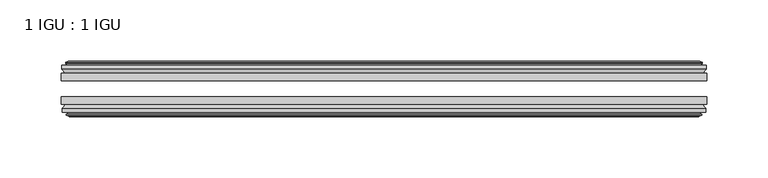
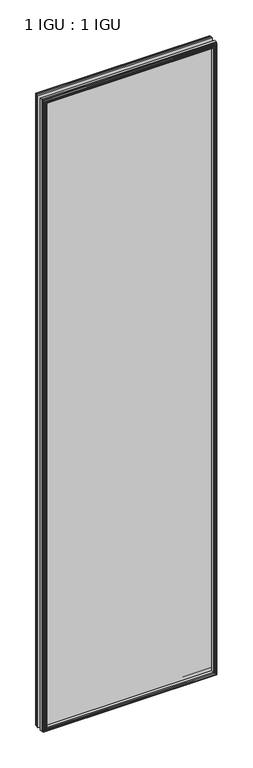
"""IFC4 building model written with IfcOpenShell, lengths in millimetres: plate geometry, 1 IGU : 1 IGU."""

from ifc_helpers import new_model, si_unit, frame, origin, place, context, project, spatial, polyline, outline, extrude, faceted_brep, source, transform, mapped, element, save


def plate_1_igu_1_igu_baa2e84b(model_context):
    return source(origin(), model_context, "Body", "SolidModel", [
        extrude(outline(polyline([(263.5317467, -19.5460937), (263.5317467, -25.8960938), (-263.5317467, -25.8960938), (-263.5317467, -19.5460937), (263.5317467, -19.5460937)])), frame((0.0, 0.0, -12.7), z_axis=(0.0, 0.0, 1.0), x_axis=(1.0, 0.0, 0.0)), (0.0, 0.0, 1.0), 2019.289595),
        extrude(outline(polyline([(-263.5317467, -44.9460938), (-263.5317467, -38.9186737), (263.5317467, -38.9186737), (263.5317467, -44.9460938), (-263.5317467, -44.9460938)])), frame((0.0, 0.0, -12.7), z_axis=(0.0, 0.0, 1.0), x_axis=(1.0, 0.0, 0.0)), (0.0, 0.0, 1.0), 2019.289595),
        faceted_brep([(-257.9437467, -53.6762907, 2001.001595), (-258.3247467, -51.2960937, 2001.382595), (-258.3247467, -51.2960937, -7.493), (-257.9437467, -53.6762907, -7.112), (-259.3592758, -53.2163575, 2002.4171241), (-259.3592758, -53.2163575, -8.5275291), (-259.3592758, -54.0175717, 2002.4171241), (-259.3592758, -54.0175717, -8.5275291), (-257.1817467, -54.7250937, 2000.239595), (-257.1817467, -54.7250937, -6.35), (-255.0042177, -54.0175717, 1998.062066), (-255.0042177, -54.0175717, -4.1724709), (-255.0042177, -53.2163575, 1998.062066), (-255.0042177, -53.2163575, -4.1724709), (-256.4197467, -53.6762907, 1999.477595), (-256.4197467, -53.6762907, -5.588), (-256.0387467, -51.2960937, 1999.096595), (-256.0387467, -51.2960937, -5.207), (-249.1140286, -44.9460937, 1992.171877), (-250.8317467, -51.2960937, 1993.889595), (-250.8317467, -51.2960937, 0.0), (-249.1140286, -44.9460937, 1.7177181), (-262.7697467, -48.3496937, 2005.827595), (-259.9354046, -44.9460937, 2002.9932529), (-259.9354046, -44.9460937, -9.1036578), (-262.7697467, -48.3496937, -11.938), (-262.7697467, -51.2960937, 2005.827595), (-262.7697467, -51.2960937, -11.938), (258.3247467, -51.2960938, -7.493), (257.9437467, -53.6762907, -7.112), (259.3592758, -53.2163575, -8.5275291), (259.3592758, -54.0175717, -8.5275291), (257.1817467, -54.7250937, -6.35), (255.0042177, -54.0175717, -4.1724709), (255.0042177, -53.2163575, -4.1724709), (256.4197467, -53.6762907, -5.588), (256.0387467, -51.2960937, -5.207), (250.8317467, -51.2960937, 0.0), (249.1140286, -44.9460937, 1.7177181), (259.9354046, -44.9460937, -9.1036578), (262.7697467, -48.3496937, -11.938), (262.7697467, -51.2960938, -11.938), (258.3247467, -51.2960938, 2001.382595), (257.9437467, -53.6762907, 2001.001595), (259.3592758, -53.2163575, 2002.4171241), (259.3592758, -54.0175717, 2002.4171241), (257.1817467, -54.7250937, 2000.239595), (255.0042177, -54.0175717, 1998.062066), (255.0042177, -53.2163575, 1998.062066), (256.4197467, -53.6762907, 1999.477595), (256.0387467, -51.2960937, 1999.096595), (250.8317467, -51.2960937, 1993.889595), (249.1140286, -44.9460937, 1992.171877), (259.9354046, -44.9460937, 2002.9932529), (262.7697467, -48.3496937, 2005.827595), (262.7697467, -51.2960938, 2005.827595)], [[[0, 1, 2, 3]], [[4, 0, 3, 5]], [[6, 4, 5, 7]], [[8, 6, 7, 9]], [[10, 8, 9, 11]], [[12, 10, 11, 13]], [[14, 12, 13, 15]], [[16, 14, 15, 17]], [[18, 19, 20, 21]], [[22, 23, 24, 25]], [[26, 22, 25, 27]], [[3, 2, 28, 29]], [[5, 3, 29, 30]], [[7, 5, 30, 31]], [[9, 7, 31, 32]], [[11, 9, 32, 33]], [[13, 11, 33, 34]], [[15, 13, 34, 35]], [[17, 15, 35, 36]], [[21, 20, 37, 38]], [[25, 24, 39, 40]], [[27, 25, 40, 41]], [[29, 28, 42, 43]], [[30, 29, 43, 44]], [[31, 30, 44, 45]], [[32, 31, 45, 46]], [[33, 32, 46, 47]], [[34, 33, 47, 48]], [[35, 34, 48, 49]], [[36, 35, 49, 50]], [[38, 37, 51, 52]], [[40, 39, 53, 54]], [[41, 40, 54, 55]], [[27, 41, 55, 26], [1, 42, 28, 2]], [[43, 42, 1, 0]], [[44, 43, 0, 4]], [[45, 44, 4, 6]], [[46, 45, 6, 8]], [[47, 46, 8, 10]], [[48, 47, 10, 12]], [[49, 48, 12, 14]], [[50, 49, 14, 16]], [[17, 36, 50, 16], [19, 51, 37, 20]], [[52, 51, 19, 18]], [[23, 53, 39, 24], [21, 38, 52, 18]], [[54, 53, 23, 22]], [[55, 54, 22, 26]]]),
        faceted_brep([(-260.4561046, -19.5460937, 2003.5139529), (-263.2904467, -16.1424937, 2006.348295), (-263.2904467, -16.1424937, -12.4587), (-260.4561046, -19.5460937, -9.6243578), (-251.3524467, -13.1960937, 1994.410295), (-249.6347286, -19.5460937, 1992.692577), (-249.6347286, -19.5460937, 1.1970181), (-251.3524467, -13.1960937, -0.5207), (-256.9404467, -10.8158968, 1999.998295), (-256.5594467, -13.1960937, 1999.617295), (-256.5594467, -13.1960937, -5.7277), (-256.9404467, -10.8158968, -6.1087), (-255.5249177, -11.27583, 1998.582766), (-255.5249177, -11.27583, -4.6931709), (-255.5249177, -10.4746158, 1998.582766), (-255.5249177, -10.4746158, -4.6931709), (-257.7024467, -9.7670937, 2000.760295), (-257.7024467, -9.7670937, -6.8707), (-259.8799758, -10.4746158, 2002.9378241), (-259.8799758, -10.4746158, -9.0482291), (-259.8799758, -11.27583, 2002.9378241), (-259.8799758, -11.27583, -9.0482291), (-258.4644467, -10.8158968, 2001.522295), (-258.4644467, -10.8158968, -7.6327), (-258.8454467, -13.1960937, 2001.903295), (-258.8454467, -13.1960937, -8.0137), (-263.2904467, -13.1960937, 2006.348295), (-263.2904467, -13.1960937, -12.4587), (263.2904467, -16.1424937, -12.4587), (260.4561046, -19.5460937, -9.6243578), (249.6347286, -19.5460937, 1.1970181), (251.3524467, -13.1960937, -0.5207), (256.5594467, -13.1960937, -5.7277), (256.9404467, -10.8158968, -6.1087), (255.5249177, -11.27583, -4.6931709), (255.5249177, -10.4746158, -4.6931709), (257.7024467, -9.7670937, -6.8707), (259.8799758, -10.4746158, -9.0482291), (259.8799758, -11.27583, -9.0482291), (258.4644467, -10.8158968, -7.6327), (258.8454467, -13.1960937, -8.0137), (263.2904467, -13.1960937, -12.4587), (263.2904467, -16.1424937, 2006.348295), (260.4561046, -19.5460937, 2003.5139529), (249.6347286, -19.5460937, 1992.692577), (251.3524467, -13.1960937, 1994.410295), (256.5594467, -13.1960937, 1999.617295), (256.9404467, -10.8158968, 1999.998295), (255.5249177, -11.27583, 1998.582766), (255.5249177, -10.4746158, 1998.582766), (257.7024467, -9.7670937, 2000.760295), (259.8799758, -10.4746158, 2002.9378241), (259.8799758, -11.27583, 2002.9378241), (258.4644467, -10.8158968, 2001.522295), (258.8454467, -13.1960937, 2001.903295), (263.2904467, -13.1960937, 2006.348295)], [[[0, 1, 2, 3]], [[4, 5, 6, 7]], [[8, 9, 10, 11]], [[12, 8, 11, 13]], [[14, 12, 13, 15]], [[16, 14, 15, 17]], [[18, 16, 17, 19]], [[20, 18, 19, 21]], [[22, 20, 21, 23]], [[24, 22, 23, 25]], [[1, 26, 27, 2]], [[3, 2, 28, 29]], [[7, 6, 30, 31]], [[11, 10, 32, 33]], [[13, 11, 33, 34]], [[15, 13, 34, 35]], [[17, 15, 35, 36]], [[19, 17, 36, 37]], [[21, 19, 37, 38]], [[23, 21, 38, 39]], [[25, 23, 39, 40]], [[2, 27, 41, 28]], [[29, 28, 42, 43]], [[31, 30, 44, 45]], [[33, 32, 46, 47]], [[34, 33, 47, 48]], [[35, 34, 48, 49]], [[36, 35, 49, 50]], [[37, 36, 50, 51]], [[38, 37, 51, 52]], [[39, 38, 52, 53]], [[40, 39, 53, 54]], [[28, 41, 55, 42]], [[43, 42, 1, 0]], [[3, 29, 43, 0], [5, 44, 30, 6]], [[45, 44, 5, 4]], [[9, 46, 32, 10], [7, 31, 45, 4]], [[47, 46, 9, 8]], [[48, 47, 8, 12]], [[49, 48, 12, 14]], [[50, 49, 14, 16]], [[51, 50, 16, 18]], [[52, 51, 18, 20]], [[53, 52, 20, 22]], [[54, 53, 22, 24]], [[26, 55, 41, 27], [25, 40, 54, 24]], [[42, 55, 26, 1]]]),
    ])


if __name__ == "__main__":
    model = new_model("IFC4")
    model_context = context("Model", 3, world=origin())
    ifc_project = project(units=[si_unit("LENGTHUNIT", "METRE", prefix="MILLI")], contexts=[model_context])
    site = spatial("IfcSite", under=ifc_project)
    building = spatial("IfcBuilding", under=site)
    placement = place(None, origin())
    plate_1_igu_1_igu_shape = plate_1_igu_1_igu_baa2e84b(model_context)
    element("IfcPlate", 1, ObjectType="1 IGU : 1 IGU", at=placement, inside=building, context=model_context, shape_type="MappedRepresentation", body=[
        mapped(plate_1_igu_1_igu_shape, transform((0.0, 0.0, 0.0), x_axis=(1.0, 0.0, 0.0), y_axis=(0.0, 1.0, 0.0), z_axis=(0.0, 0.0, 1.0))),
    ])
    save(model, "model.ifc")
